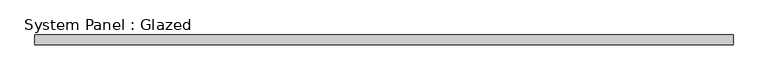
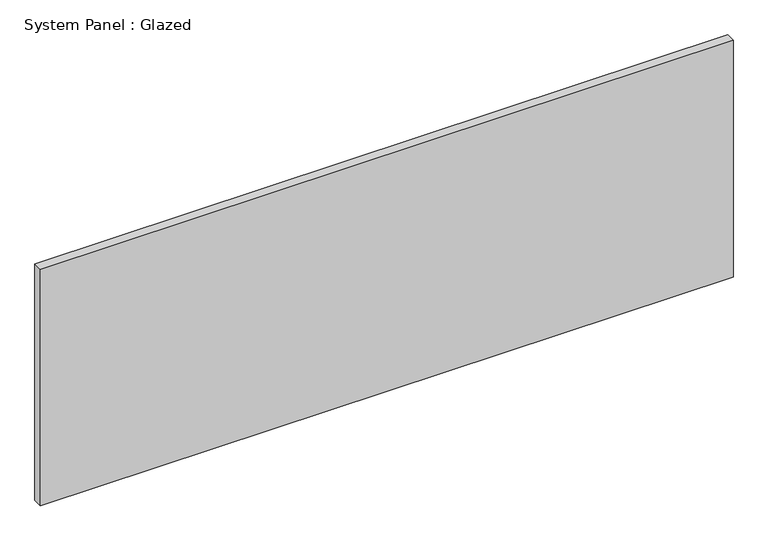
"""IFC4 building model written with IfcOpenShell, lengths in millimetres: plate geometry, System Panel : Glazed."""

from ifc_helpers import new_model, si_unit, origin, origin_with_axes, place, context, project, spatial, polyline, outline, extrude, source, transform, mapped, element, save


def system_panel_glazed_a8967ffe(model_context):
    return source(origin(), model_context, "Body", "SweptSolid", [
        extrude(outline(polyline([(900.0, -37.5), (-900.0, -37.5), (-900.0, -12.5), (900.0, -12.5), (900.0, -37.5)])), origin_with_axes(), (0.0, 0.0, 1.0), 650.0),
    ])


if __name__ == "__main__":
    model = new_model("IFC4")
    model_context = context("Model", 3, world=origin())
    ifc_project = project(units=[si_unit("LENGTHUNIT", "METRE", prefix="MILLI")], contexts=[model_context])
    site = spatial("IfcSite", under=ifc_project)
    building = spatial("IfcBuilding", under=site)
    placement = place(None, origin())
    system_panel_glazed_shape = system_panel_glazed_a8967ffe(model_context)
    element("IfcPlate", 1, ObjectType="System Panel : Glazed", at=placement, inside=building, context=model_context, shape_type="MappedRepresentation", body=[
        mapped(system_panel_glazed_shape, transform((0.0, 0.0, 0.0), x_axis=(1.0, 0.0, 0.0), y_axis=(0.0, 1.0, 0.0), z_axis=(0.0, 0.0, 1.0))),
    ])
    save(model, "model.ifc")
